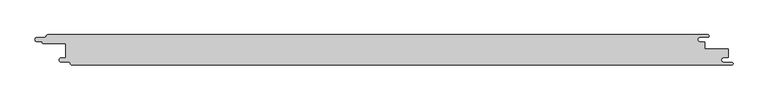
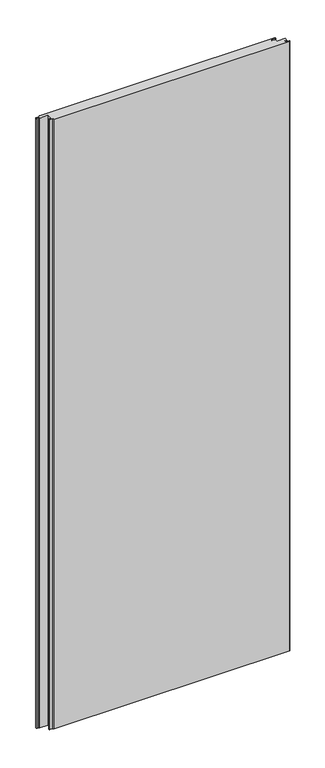
"""IFC4 building model written with IfcOpenShell, lengths in millimetres: proxy geometry."""

from ifc_helpers import new_model, si_unit, point, frame_2d, origin, origin_with_axes, place, context, project, spatial, polyline, circle_curve, trimmed, segment, composite_curve, outline, extrude, source, transform, mapped, element, save


def generic_models_d38d5bbc(model_context):
    return source(origin(), model_context, "Body", "SweptSolid", [
        extrude(outline(composite_curve([segment(polyline([(-565.5, -13.4816509), (-557.5, -13.4816509), (-557.5, 10.03), (-594.9169737, 10.03)]), True, "CONTINUOUS"), segment(trimmed(circle_curve(frame_2d((-594.4430286, 12.2219283)), 2.2425819), [point((-594.9169737, 10.03))], [point((-596.6803567, 12.3753446))], False, "CARTESIAN"), True, "CONTINUOUS"), segment(trimmed(circle_curve(frame_2d((-597.7350122, 12.3753446)), 1.0546554), [point((-596.6803567, 12.3753446))], [point((-597.7350122, 13.43))], True, "CARTESIAN"), True, "CONTINUOUS"), segment(polyline([(-597.7350122, 13.43), (-605.5, 13.43)]), True, "CONTINUOUS"), segment(trimmed(circle_curve(frame_2d((-605.5, 16.965)), 3.535), [point((-605.5, 13.43))], [point((-605.5, 20.5))], False, "CARTESIAN"), True, "CONTINUOUS"), segment(polyline([(-605.5, 20.5), (-593.0, 20.5)]), True, "CONTINUOUS"), segment(trimmed(circle_curve(frame_2d((-593.0, 23.43)), 2.93), [point((-593.0, 20.5))], [point((-590.07, 23.43))], True, "CARTESIAN"), True, "CONTINUOUS"), segment(trimmed(circle_curve(frame_2d((-587.4645959, 22.0573077)), 2.9448964), [point((-590.07, 23.43))], [point((-587.5785115, 25.0))], False, "CARTESIAN"), True, "CONTINUOUS"), segment(polyline([(-587.5785115, 25.0), (507.417592, 25.0)]), True, "CONTINUOUS"), segment(trimmed(circle_curve(frame_2d((507.417592, 22.965)), 2.035), [point((507.417592, 25.0))], [point((507.417592, 20.93))], False, "CARTESIAN"), True, "CONTINUOUS"), segment(polyline([(507.417592, 20.93), (494.5, 20.93)]), True, "CONTINUOUS"), segment(trimmed(circle_curve(frame_2d((494.5, 17.0)), 3.93), [point((494.5, 20.93))], [point((494.5, 13.07))], True, "CARTESIAN"), True, "CONTINUOUS"), segment(polyline([(494.5, 13.07), (502.5, 13.07), (502.5, 1.0), (541.5, 1.0), (541.5, -12.4816509), (534.5, -12.4816509)]), True, "CONTINUOUS"), segment(trimmed(circle_curve(frame_2d((534.5, -16.9816509)), 4.5), [point((534.5, -12.4816509))], [point((534.5, -21.4816509))], True, "CARTESIAN"), True, "CONTINUOUS"), segment(polyline([(534.5, -21.4816509), (547.5802646, -21.4816509)]), True, "CONTINUOUS"), segment(trimmed(circle_curve(frame_2d((547.5802646, -23.2408255)), 1.7591745), [point((547.5802646, -21.4816509))], [point((547.5802646, -25.0))], False, "CARTESIAN"), True, "CONTINUOUS"), segment(polyline([(547.5802646, -25.0), (-547.9710411, -25.0)]), True, "CONTINUOUS"), segment(trimmed(circle_curve(frame_2d((-547.9710411, -22.8890983)), 2.1109017), [point((-547.9710411, -25.0))], [point((-549.9970408, -23.4817459))], False, "CARTESIAN"), True, "CONTINUOUS"), segment(trimmed(circle_curve(frame_2d((-552.9983877, -23.4817459)), 3.0013468), [point((-549.9970408, -23.4817459))], [point((-552.9983877, -20.480399))], True, "CARTESIAN"), True, "CONTINUOUS"), segment(polyline([(-552.9983877, -20.480399), (-565.5, -20.480399)]), True, "CONTINUOUS"), segment(trimmed(circle_curve(frame_2d((-565.5, -16.981025)), 3.4993741), [point((-565.5, -20.480399))], [point((-565.5, -13.4816509))], False, "CARTESIAN"), True, "CONTINUOUS")], self_intersect=False)), origin_with_axes(), (0.0, 0.0, 1.0), 3000.0),
    ])


if __name__ == "__main__":
    model = new_model("IFC4")
    model_context = context("Model", 3, world=origin())
    ifc_project = project(units=[si_unit("LENGTHUNIT", "METRE", prefix="MILLI")], contexts=[model_context])
    site = spatial("IfcSite", under=ifc_project)
    building = spatial("IfcBuilding", under=site)
    placement = place(None, origin())
    generic_models_shape = generic_models_d38d5bbc(model_context)
    element("IfcBuildingElementProxy", 1, Name="Generic Models", at=placement, inside=building, context=model_context, shape_type="MappedRepresentation", body=[
        mapped(generic_models_shape, transform((0.0, 0.0, 0.0), x_axis=(1.0, 0.0, 0.0), y_axis=(0.0, 1.0, 0.0), z_axis=(0.0, 0.0, 1.0))),
    ])
    save(model, "model.ifc")
